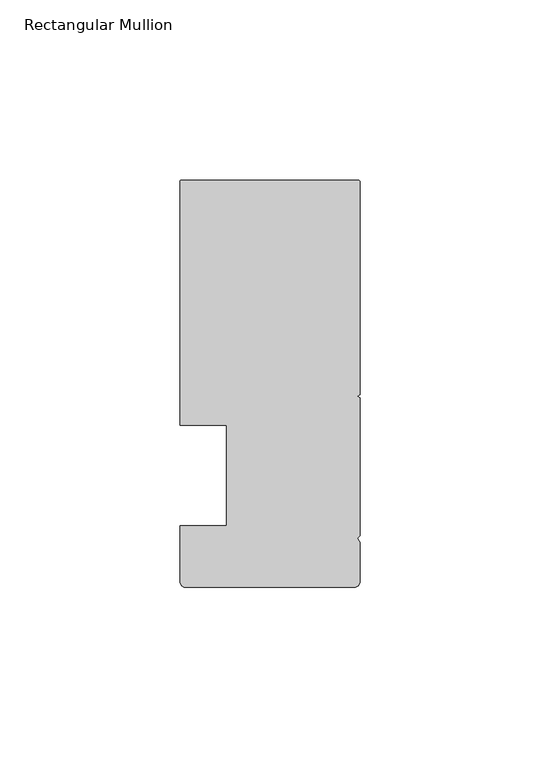
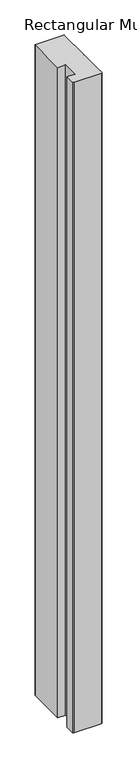
"""IFC4 building model written with IfcOpenShell, lengths in millimetres: member geometry, Rectangular Mullion."""

from ifc_helpers import new_model, si_unit, point, frame, frame_2d, origin, place, context, project, spatial, polyline, circle_curve, trimmed, segment, composite_curve, outline, extrude, source, transform, mapped, element, save


def rectangular_mullion_1df4e68f(model_context):
    return source(origin(), model_context, "Body", "SweptSolid", [
        extrude(outline(composite_curve([segment(trimmed(circle_curve(frame_2d((-49.5, 81.500001)), 0.5), [point((-50.0, 81.500001))], [point((-49.5, 82.000001))], False, "CARTESIAN"), True, "CONTINUOUS"), segment(polyline([(-49.5, 82.000001), (-0.5, 82.000001)]), True, "CONTINUOUS"), segment(trimmed(circle_curve(frame_2d((-0.5, 81.500001)), 0.5), [point((-0.5, 82.000001))], [point((0.0, 81.500001))], False, "CARTESIAN"), True, "CONTINUOUS"), segment(polyline([(0.0, 81.500001), (0.0, 22.4015984), (-0.695587, 22.000001), (0.0, 21.5984037), (0.0, -16.700633), (-0.6643165, -17.3649495), (0.0, -18.5155795), (0.0, -29.499999)]), True, "CONTINUOUS"), segment(trimmed(circle_curve(frame_2d((-1.5, -29.499999)), 1.5), [point((0.0, -29.499999))], [point((-1.5, -30.999999))], False, "CARTESIAN"), True, "CONTINUOUS"), segment(polyline([(-1.5, -30.999999), (-48.5, -30.999999)]), True, "CONTINUOUS"), segment(trimmed(circle_curve(frame_2d((-48.5, -29.499999)), 1.5), [point((-48.5, -30.999999))], [point((-50.0, -29.499999))], False, "CARTESIAN"), True, "CONTINUOUS"), segment(polyline([(-50.0, -29.499999), (-50.0, -14.0), (-36.9999999, -14.0), (-36.9999999, 14.0), (-50.0, 14.0), (-50.0, 81.500001)]), True, "CONTINUOUS")], self_intersect=False)), frame((0.0, 0.0, -1172.2222222), z_axis=(0.0, 0.0, 1.0), x_axis=(1.0, 0.0, 0.0)), (0.0, 0.0, 1.0), 1172.2222222),
    ])


if __name__ == "__main__":
    model = new_model("IFC4")
    model_context = context("Model", 3, world=origin())
    ifc_project = project(units=[si_unit("LENGTHUNIT", "METRE", prefix="MILLI")], contexts=[model_context])
    site = spatial("IfcSite", under=ifc_project)
    building = spatial("IfcBuilding", under=site)
    placement = place(None, origin())
    rectangular_mullion_shape = rectangular_mullion_1df4e68f(model_context)
    element("IfcMember", 1, ObjectType="Rectangular Mullion", at=placement, inside=building, context=model_context, shape_type="MappedRepresentation", body=[
        mapped(rectangular_mullion_shape, transform((0.0, 0.0, 0.0), x_axis=(1.0, 0.0, 0.0), y_axis=(0.0, 1.0, 0.0), z_axis=(0.0, 0.0, 1.0))),
    ])
    save(model, "model.ifc")
